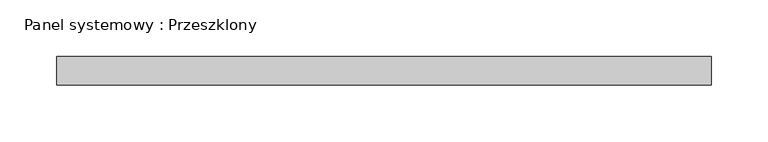
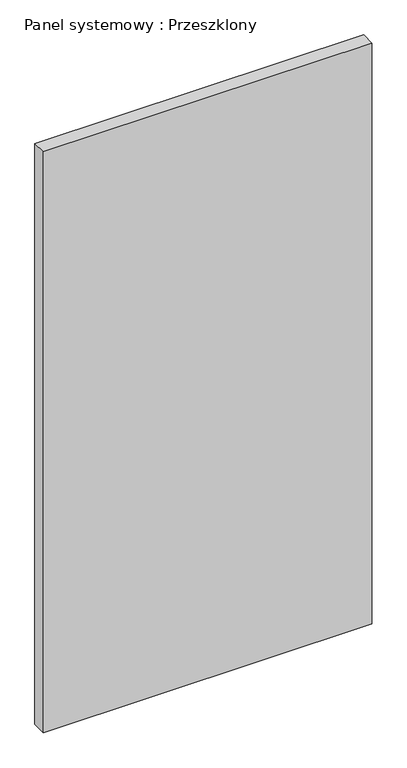
"""IFC4 building model written with IfcOpenShell, lengths in millimetres: plate geometry, Panel systemowy : Przeszklony."""

from ifc_helpers import new_model, si_unit, origin, origin_with_axes, place, context, project, spatial, polyline, outline, extrude, source, transform, mapped, element, save


def panel_systemowy_przeszklony_69ac5c14(model_context):
    return source(origin(), model_context, "Body", "SweptSolid", [
        extrude(outline(polyline([(287.5, 24.5), (-287.5, 24.5), (-287.5, 49.5), (287.5, 49.5), (287.5, 24.5)])), origin_with_axes(), (0.0, 0.0, 1.0), 1075.0),
    ])


if __name__ == "__main__":
    model = new_model("IFC4")
    model_context = context("Model", 3, world=origin())
    ifc_project = project(units=[si_unit("LENGTHUNIT", "METRE", prefix="MILLI")], contexts=[model_context])
    site = spatial("IfcSite", under=ifc_project)
    building = spatial("IfcBuilding", under=site)
    placement = place(None, origin())
    panel_systemowy_przeszklony_shape = panel_systemowy_przeszklony_69ac5c14(model_context)
    element("IfcPlate", 1, ObjectType="Panel systemowy : Przeszklony", at=placement, inside=building, context=model_context, shape_type="MappedRepresentation", body=[
        mapped(panel_systemowy_przeszklony_shape, transform((0.0, 0.0, 0.0), x_axis=(1.0, 0.0, 0.0), y_axis=(0.0, 1.0, 0.0), z_axis=(0.0, 0.0, 1.0))),
    ])
    save(model, "model.ifc")
